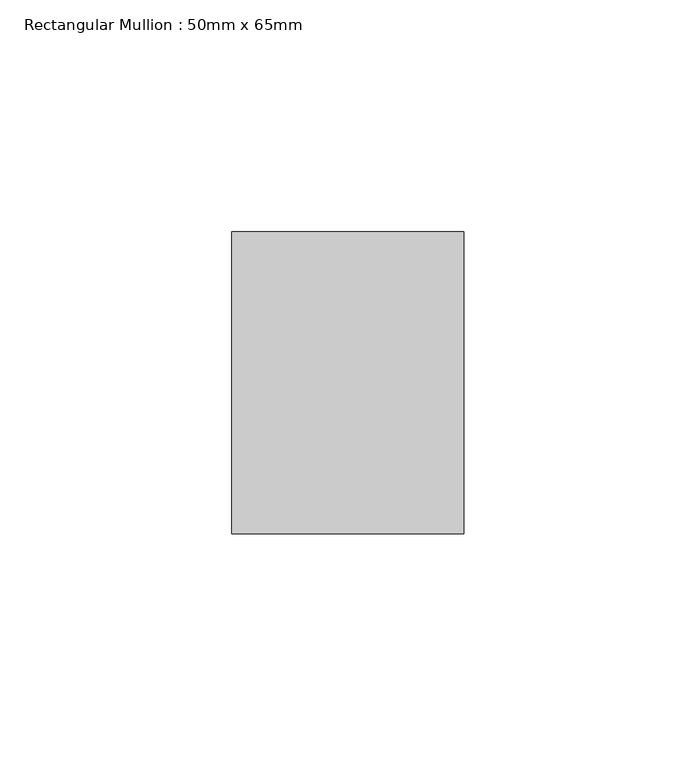
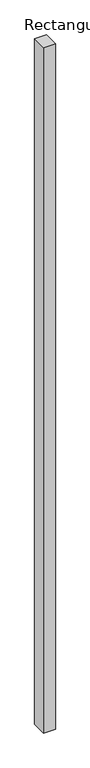
"""IFC4 building model written with IfcOpenShell, lengths in millimetres: member geometry, Rectangular Mullion : 50mm x 65mm."""

from ifc_helpers import new_model, si_unit, frame, origin, place, context, project, spatial, polyline, outline, extrude, source, transform, mapped, element, save


def rectangular_mullion_50mm_x_65mm_62786060(model_context):
    return source(origin(), model_context, "Body", "SweptSolid", [
        extrude(outline(polyline([(25.0, 32.5), (25.0, -32.5), (-25.0, -32.5), (-25.0, 32.5), (25.0, 32.5)])), frame((0.0, 0.0, -3078.7112101), z_axis=(0.0, 0.0, 1.0), x_axis=(1.0, 0.0, 0.0)), (0.0, 0.0, 1.0), 3078.7112101),
    ])


if __name__ == "__main__":
    model = new_model("IFC4")
    model_context = context("Model", 3, world=origin())
    ifc_project = project(units=[si_unit("LENGTHUNIT", "METRE", prefix="MILLI")], contexts=[model_context])
    site = spatial("IfcSite", under=ifc_project)
    building = spatial("IfcBuilding", under=site)
    placement = place(None, origin())
    rectangular_mullion_50mm_x_65mm_shape = rectangular_mullion_50mm_x_65mm_62786060(model_context)
    element("IfcMember", 1, ObjectType="Rectangular Mullion : 50mm x 65mm", at=placement, inside=building, context=model_context, shape_type="MappedRepresentation", body=[
        mapped(rectangular_mullion_50mm_x_65mm_shape, transform((0.0, 0.0, 0.0), x_axis=(1.0, 0.0, 0.0), y_axis=(0.0, 1.0, 0.0), z_axis=(0.0, 0.0, 1.0))),
    ])
    save(model, "model.ifc")
